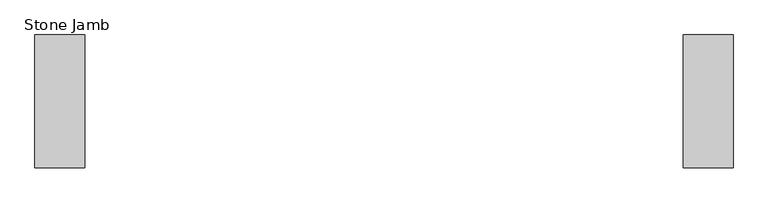
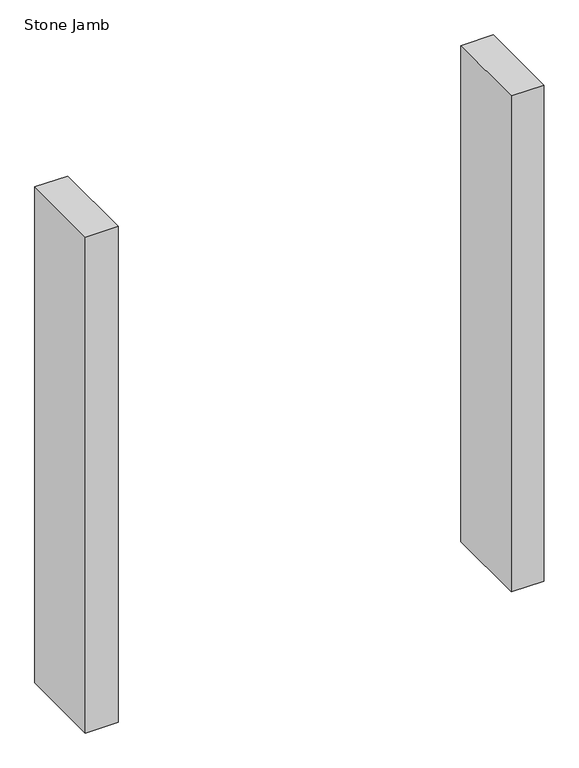
"""IFC4 building model written with IfcOpenShell, lengths in millimetres: proxy geometry, Stone Jamb."""

from ifc_helpers import new_model, si_unit, origin, origin_with_axes, place, context, project, spatial, polyline, outline, extrude, source, transform, mapped, element, save


def stone_jamb_1ce1e673(model_context):
    return source(origin(), model_context, "Body", "SweptSolid", [
        extrude(outline(polyline([(-533.4, 188.9125), (-457.2, 188.9125), (-457.2, -14.2875), (-533.4, -14.2875), (-533.4, 188.9125)])), origin_with_axes(), (0.0, 0.0, 1.0), 1219.2),
        extrude(outline(polyline([(457.2, 188.9125), (533.4, 188.9125), (533.4, -14.2875), (457.2, -14.2875), (457.2, 188.9125)])), origin_with_axes(), (0.0, 0.0, 1.0), 1219.2),
    ])


if __name__ == "__main__":
    model = new_model("IFC4")
    model_context = context("Model", 3, world=origin())
    ifc_project = project(units=[si_unit("LENGTHUNIT", "METRE", prefix="MILLI")], contexts=[model_context])
    site = spatial("IfcSite", under=ifc_project)
    building = spatial("IfcBuilding", under=site)
    placement = place(None, origin())
    stone_jamb_shape = stone_jamb_1ce1e673(model_context)
    element("IfcBuildingElementProxy", 1, Name="Stone Jamb", ObjectType="Stone Jamb", at=placement, inside=building, context=model_context, shape_type="MappedRepresentation", body=[
        mapped(stone_jamb_shape, transform((0.0, 0.0, 0.0), x_axis=(1.0, 0.0, 0.0), y_axis=(0.0, 1.0, 0.0), z_axis=(0.0, 0.0, 1.0))),
    ])
    save(model, "model.ifc")
